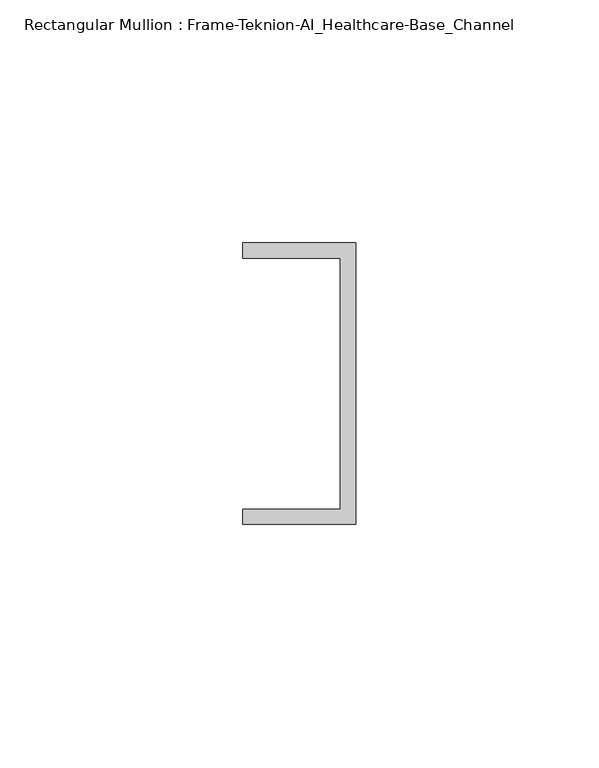
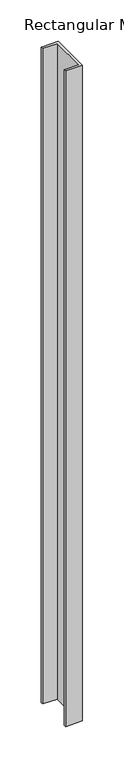
"""IFC4 building model written with IfcOpenShell, lengths in millimetres: member geometry, Rectangular Mullion : Frame-Teknion-AI_Healthcare-Base_Channel."""

from ifc_helpers import new_model, si_unit, frame, origin, place, context, project, spatial, polyline, outline, extrude, source, transform, mapped, element, save


def rectangular_mullion_frame_teknion_ai_healthcare_base_channel_fcecc903(model_context):
    return source(origin(), model_context, "Body", "SweptSolid", [
        extrude(outline(polyline([(0.0, 29.0214844), (0.0, -29.0214844), (-23.3164063, -29.0214844), (-23.3164063, -25.8464844), (-3.175, -25.8464844), (-3.175, 25.8464844), (-23.3164063, 25.8464844), (-23.3164063, 29.0214844), (0.0, 29.0214844)])), frame((0.0, 0.0, -965.2), z_axis=(0.0, 0.0, 1.0), x_axis=(1.0, 0.0, 0.0)), (0.0, 0.0, 1.0), 965.2),
    ])


if __name__ == "__main__":
    model = new_model("IFC4")
    model_context = context("Model", 3, world=origin())
    ifc_project = project(units=[si_unit("LENGTHUNIT", "METRE", prefix="MILLI")], contexts=[model_context])
    site = spatial("IfcSite", under=ifc_project)
    building = spatial("IfcBuilding", under=site)
    placement = place(None, origin())
    rectangular_mullion_frame_teknion_ai_healthcare_base_channel_shape = rectangular_mullion_frame_teknion_ai_healthcare_base_channel_fcecc903(model_context)
    element("IfcMember", 1, ObjectType="Rectangular Mullion : Frame-Teknion-AI_Healthcare-Base_Channel", at=placement, inside=building, context=model_context, shape_type="MappedRepresentation", body=[
        mapped(rectangular_mullion_frame_teknion_ai_healthcare_base_channel_shape, transform((0.0, 0.0, 0.0), x_axis=(1.0, 0.0, 0.0), y_axis=(0.0, 1.0, 0.0), z_axis=(0.0, 0.0, 1.0))),
    ])
    save(model, "model.ifc")
